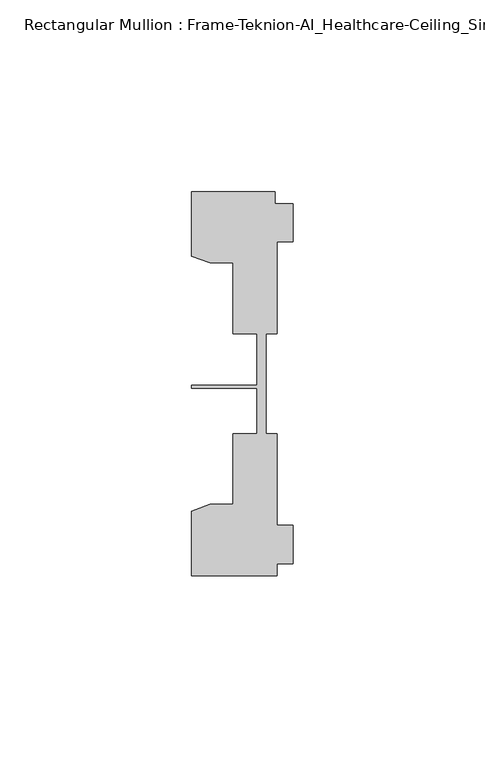
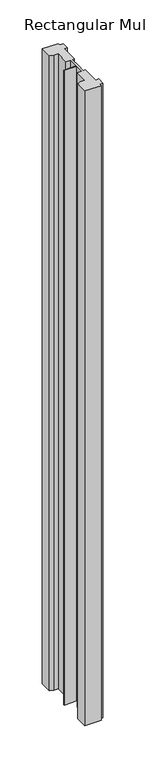
"""IFC4 building model written with IfcOpenShell, lengths in millimetres: member geometry, Rectangular Mullion : Frame-Teknion-AI_Healthcare-Ceiling_Single_Channel."""

from ifc_helpers import new_model, si_unit, frame, origin, place, context, project, spatial, polyline, outline, extrude, source, transform, mapped, element, save


def rectangular_mullion_frame_teknion_ai_healthcare_ceiling_18b0331c(model_context):
    return source(origin(), model_context, "Body", "SweptSolid", [
        extrude(outline(polyline([(-26.4921999, 34.0201677), (-26.4921999, 50.8315128), (-4.7752002, 50.8315128), (-4.7752002, 47.782071), (0.0, 47.782071), (0.0, 37.7820716), (-4.2672007, 37.7820716), (-4.2672007, 13.9110722), (-7.1647766, 13.9110722), (-7.1647766, 0.0814804), (-7.1647766, -12.2509301), (-4.2672007, -12.2509301), (-4.2672007, -36.1219249), (0.0, -36.1219249), (0.0, -46.1219322), (-4.2672007, -46.1219322), (-4.2672007, -49.1699293), (-26.4921999, -49.1699293), (-26.4921999, -32.3600207), (-21.6625199, -30.6279561), (-15.6737764, -30.6279561), (-15.6737764, -12.2509301), (-9.4507761, -12.2509301), (-9.4507761, -0.4036528), (-26.4921999, -0.4036528), (-26.4921999, 0.4036528), (-9.4507761, 0.4036528), (-9.4507761, 13.9110722), (-15.6737764, 13.9110722), (-15.6737764, 32.2880982), (-21.6625199, 32.2880982), (-26.4921999, 34.0201677)])), frame((0.0, 0.0, -914.4), z_axis=(0.0, 0.0, 1.0), x_axis=(1.0, 0.0, 0.0)), (0.0, 0.0, 1.0), 914.4),
    ])


if __name__ == "__main__":
    model = new_model("IFC4")
    model_context = context("Model", 3, world=origin())
    ifc_project = project(units=[si_unit("LENGTHUNIT", "METRE", prefix="MILLI")], contexts=[model_context])
    site = spatial("IfcSite", under=ifc_project)
    building = spatial("IfcBuilding", under=site)
    placement = place(None, origin())
    rectangular_mullion_frame_teknion_ai_healthcare_ceiling_shape = rectangular_mullion_frame_teknion_ai_healthcare_ceiling_18b0331c(model_context)
    element("IfcMember", 1, ObjectType="Rectangular Mullion : Frame-Teknion-AI_Healthcare-Ceiling_Single_Channel", at=placement, inside=building, context=model_context, shape_type="MappedRepresentation", body=[
        mapped(rectangular_mullion_frame_teknion_ai_healthcare_ceiling_shape, transform((0.0, 0.0, 0.0), x_axis=(1.0, 0.0, 0.0), y_axis=(0.0, 1.0, 0.0), z_axis=(0.0, 0.0, 1.0))),
    ])
    save(model, "model.ifc")
